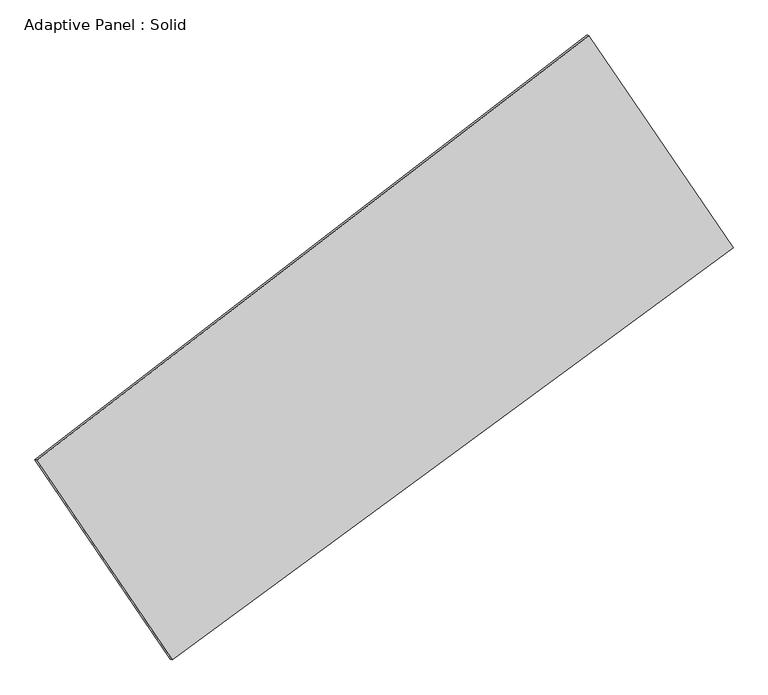
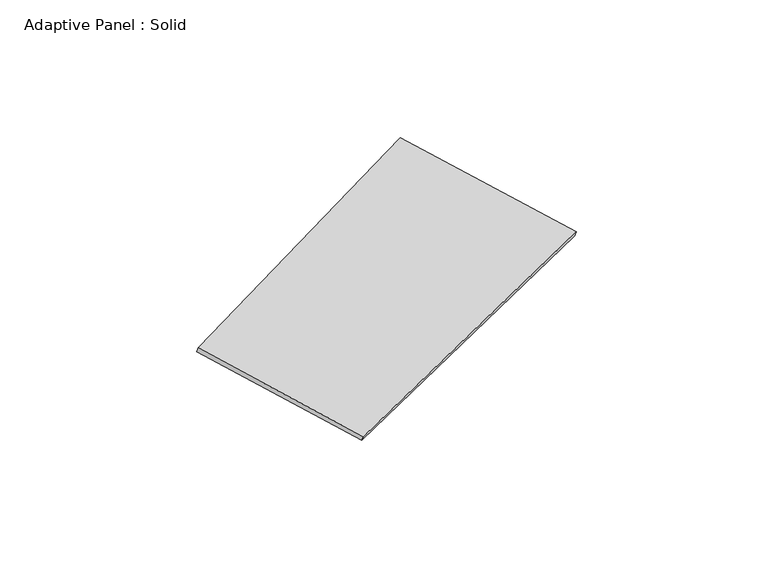
"""IFC4 building model written with IfcOpenShell, lengths in millimetres: plate geometry, Adaptive Panel : Solid."""

from ifc_helpers import new_model, si_unit, frame, origin, place, context, project, spatial, polyline, outline, extrude, source, transform, mapped, element, save


def adaptive_panel_solid_5e69d2fd(model_context):
    return source(origin(), model_context, "Body", "SweptSolid", [
        extrude(outline(polyline([(-1111.209882, 2941.1953371), (1111.209882, 2941.1953371), (1044.3939064, -2941.1953372), (-1044.3939063, -2941.1953372), (-1111.209882, 2941.1953371)])), frame((-650.8226445, -100.0621432, 871.2806301), z_axis=(0.29332711661117805, -0.12760186928687323, 0.947458160350666), x_axis=(0.540614741976791, -0.7952363762793586, -0.27447186850284305)), (0.0, 0.0, 1.0), 50.0),
    ])


if __name__ == "__main__":
    model = new_model("IFC4")
    model_context = context("Model", 3, world=origin())
    ifc_project = project(units=[si_unit("LENGTHUNIT", "METRE", prefix="MILLI")], contexts=[model_context])
    site = spatial("IfcSite", under=ifc_project)
    building = spatial("IfcBuilding", under=site)
    placement = place(None, origin())
    adaptive_panel_solid_shape = adaptive_panel_solid_5e69d2fd(model_context)
    element("IfcPlate", 1, ObjectType="Adaptive Panel : Solid", at=placement, inside=building, context=model_context, shape_type="MappedRepresentation", body=[
        mapped(adaptive_panel_solid_shape, transform((0.0, 0.0, 0.0), x_axis=(1.0, 0.0, 0.0), y_axis=(0.0, 1.0, 0.0), z_axis=(0.0, 0.0, 1.0))),
    ])
    save(model, "model.ifc")
